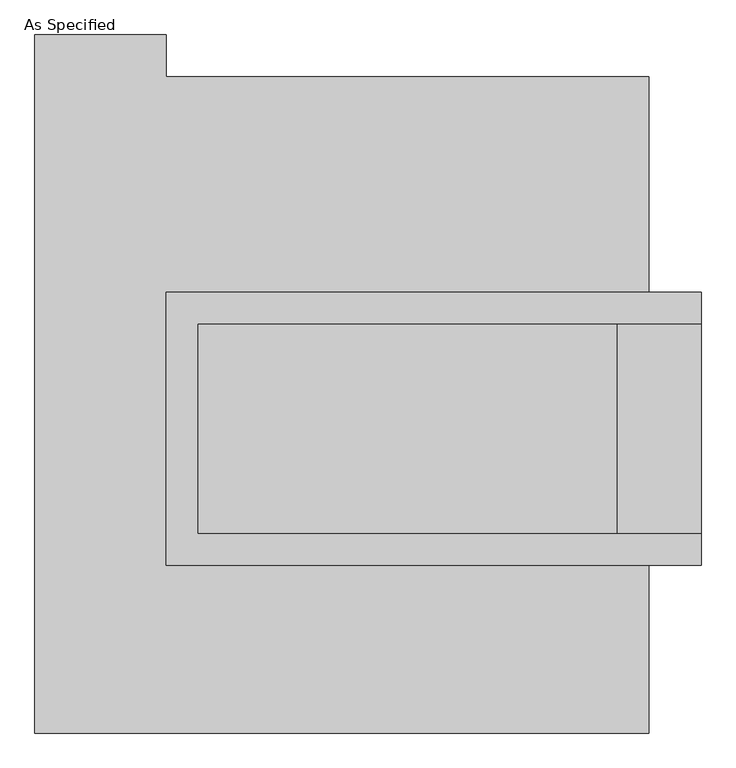
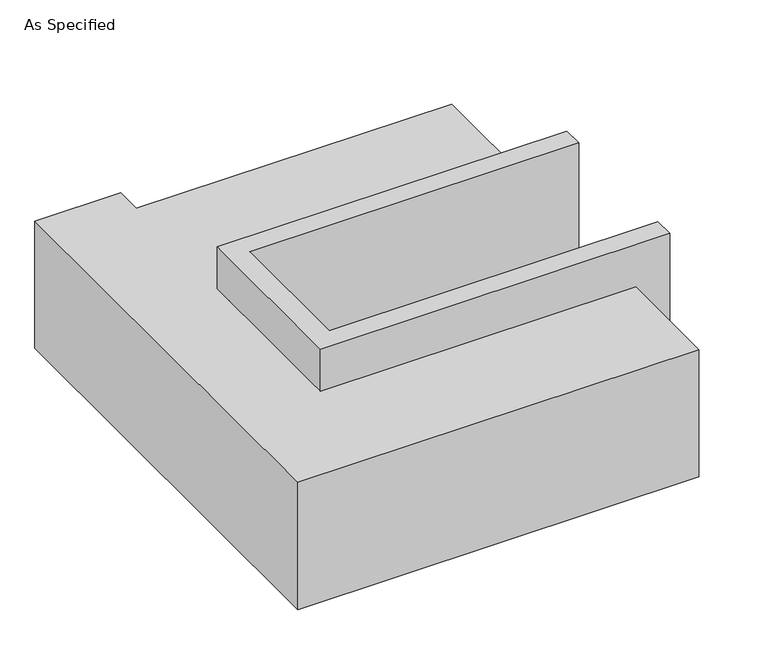
"""IFC4 building model written with IfcOpenShell, lengths in millimetres: proxy geometry, As Specified."""

from ifc_helpers import new_model, si_unit, origin, place, context, project, spatial, faceted_brep, source, transform, mapped, element, save


def as_specified_fd5b2798(model_context):
    return source(origin(), model_context, "Body", "Brep", [
        faceted_brep([(-501.65, 273.05, 139.7), (-501.65, 273.05, -393.7), (-501.65, 196.85, -393.7), (-501.65, 196.85, -25.4), (-501.65, -311.15, -25.4), (-501.65, -311.15, -393.7), (-501.65, -387.35, -393.7), (-501.65, -387.35, 139.7), (793.75, 196.85, 139.7), (793.75, 196.85, -317.5), (793.75, -311.15, -317.5), (793.75, -311.15, 139.7), (793.75, -387.35, 139.7), (793.75, -387.35, -393.7), (793.75, 273.05, -393.7), (793.75, 273.05, 139.7), (-425.45, -311.15, 139.7), (-425.45, 196.85, 139.7), (590.55, -311.15, -393.7), (590.55, 196.85, -393.7), (590.55, -311.15, -317.5), (-425.45, -311.15, -25.4), (590.55, 196.85, -317.5), (-425.45, 196.85, -25.4)], [[[0, 1, 2, 3, 4, 5, 6, 7]], [[8, 9, 10, 11, 12, 13, 14, 15]], [[0, 7, 12, 11, 16, 17, 8, 15]], [[1, 0, 15, 14]], [[14, 13, 6, 5, 18, 19, 2, 1]], [[7, 6, 13, 12]], [[11, 10, 20, 18, 5, 4, 21, 16]], [[10, 9, 22, 20]], [[9, 8, 17, 23, 3, 2, 19, 22]], [[18, 20, 22, 19]], [[23, 21, 4, 3]], [[17, 16, 21, 23]]]),
        faceted_brep([(666.75, -793.75, -523.9742188), (-819.15, -793.75, -523.9742188), (-819.15, 895.35, -523.9742188), (-501.65, 895.35, -523.9742188), (-501.65, 793.75, -523.9742188), (666.75, 793.75, -523.9742188), (-819.15, -793.75, -25.4), (666.75, -793.75, -25.4), (666.75, -387.35, -25.4), (-501.65, -387.35, -25.4), (-501.65, 273.05, -25.4), (666.75, 273.05, -25.4), (666.75, 793.75, -25.4), (-501.65, 793.75, -25.4), (-501.65, 895.35, -25.4), (-819.15, 895.35, -25.4), (666.75, 273.05, -393.7), (666.75, -387.35, -393.7), (-501.65, -387.35, -393.7), (-501.65, 273.05, -393.7)], [[[0, 1, 2, 3, 4, 5]], [[6, 7, 8, 9, 10, 11, 12, 13, 14, 15]], [[12, 5, 4, 13]], [[2, 1, 6, 15]], [[5, 12, 11, 16, 17, 8, 7, 0]], [[1, 0, 7, 6]], [[18, 19, 10, 9]], [[10, 19, 16, 11]], [[19, 18, 17, 16]], [[18, 9, 8, 17]], [[3, 2, 15, 14]], [[4, 3, 14, 13]]]),
    ])


if __name__ == "__main__":
    model = new_model("IFC4")
    model_context = context("Model", 3, world=origin())
    ifc_project = project(units=[si_unit("LENGTHUNIT", "METRE", prefix="MILLI")], contexts=[model_context])
    site = spatial("IfcSite", under=ifc_project)
    building = spatial("IfcBuilding", under=site)
    placement = place(None, origin())
    as_specified_shape = as_specified_fd5b2798(model_context)
    element("IfcBuildingElementProxy", 1, Name="As Specified", ObjectType="As Specified", at=placement, inside=building, context=model_context, shape_type="MappedRepresentation", body=[
        mapped(as_specified_shape, transform((0.0, 0.0, 0.0), x_axis=(1.0, 0.0, 0.0), y_axis=(0.0, 1.0, 0.0), z_axis=(0.0, 0.0, 1.0))),
    ])
    save(model, "model.ifc")
